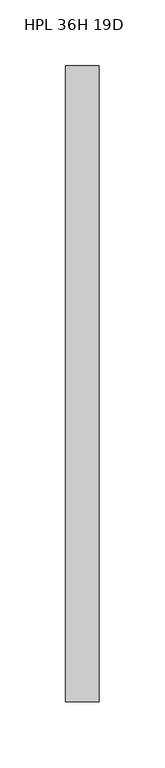
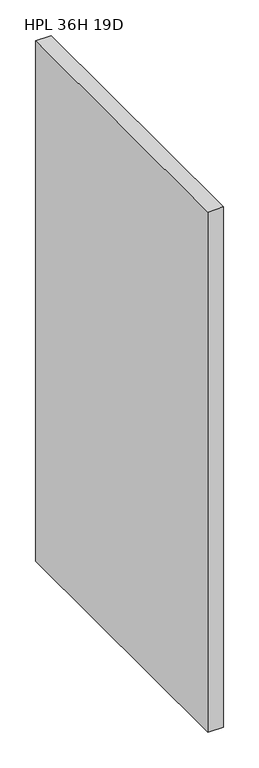
"""IFC4 building model written with IfcOpenShell, lengths in millimetres: furniture geometry, HPL 36H 19D."""

from ifc_helpers import new_model, si_unit, origin, origin_with_axes, place, context, project, spatial, polyline, outline, extrude, source, transform, mapped, element, save


def hpl_36h_19d_710c65c5(model_context):
    return source(origin(), model_context, "Body", "SweptSolid", [
        extrude(outline(polyline([(25.4, 0.0), (25.4, -482.6), (0.0, -482.6), (0.0, 0.0), (25.4, 0.0)])), origin_with_axes(), (0.0, 0.0, 1.0), 889.0),
    ])


if __name__ == "__main__":
    model = new_model("IFC4")
    model_context = context("Model", 3, world=origin())
    ifc_project = project(units=[si_unit("LENGTHUNIT", "METRE", prefix="MILLI")], contexts=[model_context])
    site = spatial("IfcSite", under=ifc_project)
    building = spatial("IfcBuilding", under=site)
    placement = place(None, origin())
    hpl_36h_19d_shape = hpl_36h_19d_710c65c5(model_context)
    element("IfcFurniture", 1, ObjectType="HPL 36H 19D", at=placement, inside=building, context=model_context, shape_type="MappedRepresentation", body=[
        mapped(hpl_36h_19d_shape, transform((0.0, 0.0, 0.0), x_axis=(1.0, 0.0, 0.0), y_axis=(0.0, 1.0, 0.0), z_axis=(0.0, 0.0, 1.0))),
    ])
    save(model, "model.ifc")
